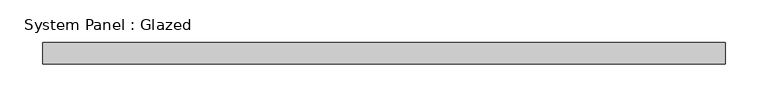
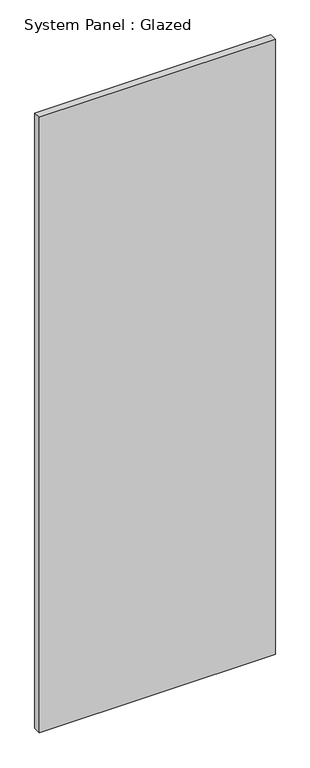
"""IFC4 building model written with IfcOpenShell, lengths in millimetres: plate geometry, System Panel : Glazed."""

from ifc_helpers import new_model, si_unit, origin, origin_with_axes, place, context, project, spatial, polyline, outline, extrude, source, transform, mapped, element, save


def system_panel_glazed_7700f291(model_context):
    return source(origin(), model_context, "Body", "SweptSolid", [
        extrude(outline(polyline([(400.05, 0.0), (-400.05, 0.0), (-400.05, 25.4), (400.05, 25.4), (400.05, 0.0)])), origin_with_axes(), (0.0, 0.0, 1.0), 2203.4499999),
    ])


if __name__ == "__main__":
    model = new_model("IFC4")
    model_context = context("Model", 3, world=origin())
    ifc_project = project(units=[si_unit("LENGTHUNIT", "METRE", prefix="MILLI")], contexts=[model_context])
    site = spatial("IfcSite", under=ifc_project)
    building = spatial("IfcBuilding", under=site)
    placement = place(None, origin())
    system_panel_glazed_shape = system_panel_glazed_7700f291(model_context)
    element("IfcPlate", 1, ObjectType="System Panel : Glazed", at=placement, inside=building, context=model_context, shape_type="MappedRepresentation", body=[
        mapped(system_panel_glazed_shape, transform((0.0, 0.0, 0.0), x_axis=(1.0, 0.0, 0.0), y_axis=(0.0, 1.0, 0.0), z_axis=(0.0, 0.0, 1.0))),
    ])
    save(model, "model.ifc")
